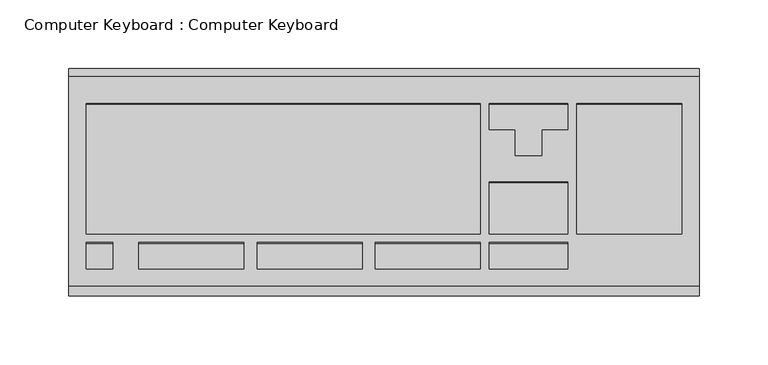
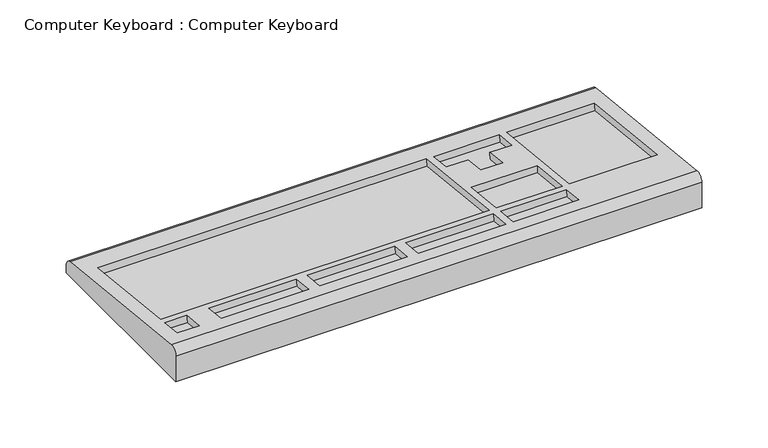
"""IFC4 building model written with IfcOpenShell, lengths in millimetres: proxy geometry, Computer Keyboard : Computer Keyboard."""

from ifc_helpers import new_model, si_unit, frame, origin, place, context, project, spatial, circle_curve, source, transform, mapped, element, save
from ifc_brep_helpers import plane_surface, cylinder_surface, advanced_brep


def computer_keyboard_computer_keyboard_c4d92e3b(model_context):
    return source(origin(), model_context, "Body", "AdvancedBrep", [
        advanced_brep(
        [(91.1, 204.7, 572.0), (91.1, 369.8, 572.0), (91.1, 369.8, 578.9940134), (91.1, 364.1264853, 585.3078766), (91.1, 211.7264853, 601.636448), (91.1, 204.7, 595.3225849), (-366.1, 204.7, 572.0), (-366.1, 204.7, 595.3225849), (-366.1, 211.7264853, 601.636448), (-366.1, 364.1264853, 585.3078766), (-366.1, 369.8, 578.9940134), (-366.1, 369.8, 572.0), (-67.65, 344.5445475, 587.4059413), (-67.65, 249.8366006, 597.5532214), (-353.4, 249.8366006, 597.5532214), (-353.4, 344.5445475, 587.4059413), (-334.35, 243.5227375, 598.2297067), (-334.35, 224.5811481, 600.2591627), (-353.4, 224.5811481, 600.2591627), (-353.4, 243.5227375, 598.2297067), (-239.1, 243.5227375, 598.2297067), (-239.1, 224.5811481, 600.2591627), (-315.3, 224.5811481, 600.2591627), (-315.3, 243.5227375, 598.2297067), (-153.375, 243.5227375, 598.2297067), (-153.375, 224.5811481, 600.2591627), (-229.575, 224.5811481, 600.2591627), (-229.575, 243.5227375, 598.2297067), (-67.65, 243.5227375, 598.2297067), (-67.65, 224.5811481, 600.2591627), (-143.85, 224.5811481, 600.2591627), (-143.85, 243.5227375, 598.2297067), (-4.15, 243.5227375, 598.2297067), (-4.15, 224.5811481, 600.2591627), (-61.3, 224.5811481, 600.2591627), (-61.3, 243.5227375, 598.2297067), (-4.15, 287.7197793, 593.4943094), (-4.15, 249.8366006, 597.5532214), (-61.3, 249.8366006, 597.5532214), (-61.3, 287.7197793, 593.4943094), (-4.15, 344.5445475, 587.4059413), (-4.15, 325.6029581, 589.4353973), (-23.2, 325.6029581, 589.4353973), (-23.2, 306.6613687, 591.4648534), (-42.25, 306.6613687, 591.4648534), (-42.25, 325.6029581, 589.4353973), (-61.3, 325.6029581, 589.4353973), (-61.3, 344.5445475, 587.4059413), (78.4, 344.5445475, 587.4059413), (78.4, 249.8366006, 597.5532214), (2.2, 249.8366006, 597.5532214), (2.2, 344.5445475, 587.4059413), (-67.65, 343.8680622, 581.0920782), (-353.4, 343.8680622, 581.0920782), (-353.4, 249.1601152, 591.2393582), (-67.65, 249.1601152, 591.2393582), (-334.35, 242.8462521, 591.9158436), (-353.4, 242.8462521, 591.9158436), (-353.4, 223.9046627, 593.9452996), (-334.35, 223.9046627, 593.9452996), (-239.1, 242.8462521, 591.9158436), (-315.3, 242.8462521, 591.9158436), (-315.3, 223.9046627, 593.9452996), (-239.1, 223.9046627, 593.9452996), (-153.375, 242.8462521, 591.9158436), (-229.575, 242.8462521, 591.9158436), (-229.575, 223.9046627, 593.9452996), (-153.375, 223.9046627, 593.9452996), (-67.65, 242.8462521, 591.9158436), (-143.85, 242.8462521, 591.9158436), (-143.85, 223.9046627, 593.9452996), (-67.65, 223.9046627, 593.9452996), (-4.15, 242.8462521, 591.9158436), (-61.3, 242.8462521, 591.9158436), (-61.3, 223.9046627, 593.9452996), (-4.15, 223.9046627, 593.9452996), (-4.15, 287.043294, 587.1804462), (-61.3, 287.043294, 587.1804462), (-61.3, 249.1601152, 591.2393582), (-4.15, 249.1601152, 591.2393582), (-4.15, 343.8680622, 581.0920782), (-61.3, 343.8680622, 581.0920782), (-61.3, 324.9264728, 583.1215342), (-42.25, 324.9264728, 583.1215342), (-42.25, 305.9848834, 585.1509902), (-23.2, 305.9848834, 585.1509902), (-23.2, 324.9264728, 583.1215342), (-4.15, 324.9264728, 583.1215342), (78.4, 343.8680622, 581.0920782), (2.2, 343.8680622, 581.0920782), (2.2, 249.1601152, 591.2393582), (78.4, 249.1601152, 591.2393582)],
        [
            (0, 1),
            (1, 2),
            (2, 3, circle_curve(frame((91.1, 363.45, 578.9940134), z_axis=(1.0, 0.0, 0.0), x_axis=(0.0, 1.0, 0.0)), 6.35)),
            (3, 4),
            (4, 5, circle_curve(frame((91.1, 211.05, 595.3225849), z_axis=(1.0, 0.0, 0.0), x_axis=(0.0, 1.0, 0.0)), 6.35)),
            (5, 0),
            (6, 7),
            (7, 8, circle_curve(frame((-366.1, 211.05, 595.3225849), z_axis=(-1.0, 0.0, 0.0), x_axis=(0.0, 1.0, 0.0)), 6.35)),
            (8, 9),
            (9, 10, circle_curve(frame((-366.1, 363.45, 578.9940134), z_axis=(-1.0, 0.0, 0.0), x_axis=(0.0, 1.0, 0.0)), 6.35)),
            (10, 11),
            (11, 6),
            (5, 7),
            (6, 0),
            (4, 8),
            (3, 9),
            (12, 13),
            (13, 14),
            (14, 15),
            (15, 12),
            (16, 17),
            (17, 18),
            (18, 19),
            (19, 16),
            (20, 21),
            (21, 22),
            (22, 23),
            (23, 20),
            (24, 25),
            (25, 26),
            (26, 27),
            (27, 24),
            (28, 29),
            (29, 30),
            (30, 31),
            (31, 28),
            (32, 33),
            (33, 34),
            (34, 35),
            (35, 32),
            (36, 37),
            (37, 38),
            (38, 39),
            (39, 36),
            (40, 41),
            (41, 42),
            (42, 43),
            (43, 44),
            (44, 45),
            (45, 46),
            (46, 47),
            (47, 40),
            (48, 49),
            (49, 50),
            (50, 51),
            (51, 48),
            (2, 10),
            (1, 11),
            (52, 53),
            (53, 54),
            (54, 55),
            (55, 52),
            (52, 12),
            (15, 53),
            (14, 54),
            (13, 55),
            (56, 57),
            (57, 58),
            (58, 59),
            (59, 56),
            (56, 16),
            (19, 57),
            (18, 58),
            (17, 59),
            (60, 61),
            (61, 62),
            (62, 63),
            (63, 60),
            (60, 20),
            (23, 61),
            (22, 62),
            (21, 63),
            (64, 65),
            (65, 66),
            (66, 67),
            (67, 64),
            (64, 24),
            (27, 65),
            (26, 66),
            (25, 67),
            (68, 69),
            (69, 70),
            (70, 71),
            (71, 68),
            (68, 28),
            (31, 69),
            (30, 70),
            (29, 71),
            (72, 73),
            (73, 74),
            (74, 75),
            (75, 72),
            (72, 32),
            (35, 73),
            (34, 74),
            (33, 75),
            (76, 77),
            (77, 78),
            (78, 79),
            (79, 76),
            (76, 36),
            (39, 77),
            (38, 78),
            (37, 79),
            (80, 81),
            (81, 82),
            (82, 83),
            (83, 84),
            (84, 85),
            (85, 86),
            (86, 87),
            (87, 80),
            (80, 40),
            (47, 81),
            (46, 82),
            (45, 83),
            (44, 84),
            (43, 85),
            (42, 86),
            (41, 87),
            (88, 89),
            (89, 90),
            (90, 91),
            (91, 88),
            (88, 48),
            (51, 89),
            (50, 90),
            (49, 91),
        ],
        [
            plane_surface(frame((91.1, 204.7, 572.0), z_axis=(1.0, 0.0, 0.0), x_axis=(0.0, 0.0, 1.0))),
            plane_surface(frame((-366.1, 204.7, 572.0), z_axis=(-1.0, 0.0, 0.0), x_axis=(0.0, 0.0, -1.0))),
            plane_surface(frame((91.1, 204.7, 572.0), z_axis=(0.0, -1.0, 0.0), x_axis=(-1.0, 0.0, 0.0))),
            cylinder_surface(frame((-366.1, 211.05, 595.3225849), z_axis=(1.0, 0.0, 0.0), x_axis=(0.0, 1.0, 0.0)), 6.35),
            plane_surface(frame((91.1, 211.7264853, 601.636448), z_axis=(0.0, 0.10653312363427196, 0.9943091539198083), x_axis=(-1.0, 0.0, 0.0))),
            cylinder_surface(frame((-366.1, 363.45, 578.9940134), z_axis=(1.0, 0.0, 0.0), x_axis=(0.0, 1.0, 0.0)), 6.35),
            plane_surface(frame((91.1, 369.8, 578.9940134), z_axis=(0.0, 1.0, 0.0), x_axis=(-1.0, 0.0, 0.0))),
            plane_surface(frame((91.1, 369.8, 572.0), z_axis=(0.0, 0.0, -1.0), x_axis=(-1.0, 0.0, 0.0))),
            plane_surface(frame((-315.3, 343.8680622, 581.0920782), z_axis=(0.0, 0.10653312363427676, 0.9943091539198078), x_axis=(-1.0, 0.0, 0.0))),
            plane_surface(frame((-67.65, 343.8680622, 581.0920782), z_axis=(0.0, -0.9943091539198078, 0.1065331236342767), x_axis=(0.0, 0.1065331236342767, 0.9943091539198078))),
            plane_surface(frame((-353.4, 343.8680622, 581.0920782), z_axis=(1.0000000000000002, 0.0, 0.0), x_axis=(0.0, 0.1065331236342767, 0.9943091539198078))),
            plane_surface(frame((-353.4, 249.1601152, 591.2393582), z_axis=(0.0, 0.9943091539198078, -0.10653312363427635), x_axis=(0.0, 0.10653312363427635, 0.9943091539198078))),
            plane_surface(frame((-67.65, 249.1601152, 591.2393582), z_axis=(-1.0, 0.0, 0.0), x_axis=(0.0, 0.10653312363427639, 0.9943091539198078))),
            plane_surface(frame((-315.3, 242.8462521, 591.9158436), z_axis=(0.0, 0.10653312363427676, 0.9943091539198078), x_axis=(-1.0, 0.0, 0.0))),
            plane_surface(frame((-334.35, 242.8462521, 591.9158436), z_axis=(0.0, -0.9943091539198078, 0.10653312363427635), x_axis=(0.0, 0.10653312363427635, 0.9943091539198078))),
            plane_surface(frame((-353.4, 242.8462521, 591.9158436), z_axis=(1.0, 0.0, 0.0), x_axis=(0.0, 0.10653312363427635, 0.9943091539198078))),
            plane_surface(frame((-353.4, 223.9046627, 593.9452996), z_axis=(0.0, 0.9943091539198078, -0.10653312363427635), x_axis=(0.0, 0.10653312363427635, 0.9943091539198078))),
            plane_surface(frame((-334.35, 223.9046627, 593.9452996), z_axis=(-1.0, 0.0, 0.0), x_axis=(0.0, 0.10653312363427635, 0.9943091539198078))),
            plane_surface(frame((-277.2, 242.8462521, 591.9158436), z_axis=(0.0, 0.10653312363427676, 0.9943091539198078), x_axis=(-1.0, 0.0, 0.0))),
            plane_surface(frame((-239.1, 242.8462521, 591.9158436), z_axis=(0.0, -0.9943091539198078, 0.10653312363427635), x_axis=(0.0, 0.10653312363427635, 0.9943091539198078))),
            plane_surface(frame((-315.3, 242.8462521, 591.9158436), z_axis=(1.0, 0.0, 0.0), x_axis=(0.0, 0.10653312363427635, 0.9943091539198078))),
            plane_surface(frame((-315.3, 223.9046627, 593.9452996), z_axis=(0.0, 0.9943091539198078, -0.10653312363427635), x_axis=(0.0, 0.10653312363427635, 0.9943091539198078))),
            plane_surface(frame((-239.1, 223.9046627, 593.9452996), z_axis=(-1.0, 0.0, 0.0), x_axis=(0.0, 0.10653312363427635, 0.9943091539198078))),
            plane_surface(frame((-191.475, 242.8462521, 591.9158436), z_axis=(0.0, 0.10653312363427676, 0.9943091539198078), x_axis=(-1.0, 0.0, 0.0))),
            plane_surface(frame((-153.375, 242.8462521, 591.9158436), z_axis=(0.0, -0.9943091539198078, 0.10653312363427639), x_axis=(0.0, 0.10653312363427639, 0.9943091539198078))),
            plane_surface(frame((-229.575, 242.8462521, 591.9158436), z_axis=(1.0, 0.0, 0.0), x_axis=(0.0, 0.10653312363427639, 0.9943091539198078))),
            plane_surface(frame((-229.575, 223.9046627, 593.9452996), z_axis=(0.0, 0.9943091539198078, -0.10653312363427639), x_axis=(0.0, 0.10653312363427639, 0.9943091539198078))),
            plane_surface(frame((-153.375, 223.9046627, 593.9452996), z_axis=(-1.0, 0.0, 0.0), x_axis=(0.0, 0.10653312363427639, 0.9943091539198078))),
            plane_surface(frame((-105.75, 242.8462521, 591.9158436), z_axis=(0.0, 0.10653312363427676, 0.9943091539198078), x_axis=(-1.0, 0.0, 0.0))),
            plane_surface(frame((-67.65, 242.8462521, 591.9158436), z_axis=(0.0, -0.9943091539198078, 0.10653312363427635), x_axis=(0.0, 0.10653312363427635, 0.9943091539198078))),
            plane_surface(frame((-143.85, 242.8462521, 591.9158436), z_axis=(1.0, 0.0, 0.0), x_axis=(0.0, 0.10653312363427635, 0.9943091539198078))),
            plane_surface(frame((-143.85, 223.9046627, 593.9452996), z_axis=(0.0, 0.9943091539198078, -0.10653312363427635), x_axis=(0.0, 0.10653312363427635, 0.9943091539198078))),
            plane_surface(frame((-67.65, 223.9046627, 593.9452996), z_axis=(-1.0, 0.0, 0.0), x_axis=(0.0, 0.10653312363427635, 0.9943091539198078))),
            plane_surface(frame((-23.2, 242.8462521, 591.9158436), z_axis=(0.0, 0.10653312363427676, 0.9943091539198078), x_axis=(-1.0, 0.0, 0.0))),
            plane_surface(frame((-4.15, 242.8462521, 591.9158436), z_axis=(0.0, -0.9943091539198078, 0.10653312363427635), x_axis=(0.0, 0.10653312363427635, 0.9943091539198078))),
            plane_surface(frame((-61.3, 242.8462521, 591.9158436), z_axis=(1.0, 0.0, 0.0), x_axis=(0.0, 0.10653312363427635, 0.9943091539198078))),
            plane_surface(frame((-61.3, 223.9046627, 593.9452996), z_axis=(0.0, 0.9943091539198078, -0.10653312363427635), x_axis=(0.0, 0.10653312363427635, 0.9943091539198078))),
            plane_surface(frame((-4.15, 223.9046627, 593.9452996), z_axis=(-1.0, 0.0, 0.0), x_axis=(0.0, 0.10653312363427635, 0.9943091539198078))),
            plane_surface(frame((-23.2, 287.043294, 587.1804462), z_axis=(0.0, 0.10653312363427676, 0.9943091539198078), x_axis=(-1.0, 0.0, 0.0))),
            plane_surface(frame((-4.15, 287.043294, 587.1804462), z_axis=(0.0, -0.9943091539198078, 0.10653312363427636), x_axis=(0.0, 0.10653312363427636, 0.9943091539198078))),
            plane_surface(frame((-61.3, 287.043294, 587.1804462), z_axis=(1.0, 0.0, 0.0), x_axis=(0.0, 0.10653312363427636, 0.9943091539198078))),
            plane_surface(frame((-61.3, 249.1601152, 591.2393582), z_axis=(0.0, 0.9943091539198078, -0.10653312363427635), x_axis=(0.0, 0.10653312363427635, 0.9943091539198078))),
            plane_surface(frame((-4.15, 249.1601152, 591.2393582), z_axis=(-1.0, 0.0, 0.0), x_axis=(0.0, 0.10653312363427635, 0.9943091539198078))),
            plane_surface(frame((-23.2, 343.8680622, 581.0920782), z_axis=(0.0, 0.10653312363427676, 0.9943091539198078), x_axis=(-1.0, 0.0, 0.0))),
            plane_surface(frame((-4.15, 343.8680622, 581.0920782), z_axis=(0.0, -0.9943091539198078, 0.1065331236342767), x_axis=(0.0, 0.1065331236342767, 0.9943091539198078))),
            plane_surface(frame((-61.3, 343.8680622, 581.0920782), z_axis=(1.0000000000000002, 0.0, 0.0), x_axis=(0.0, 0.1065331236342767, 0.9943091539198078))),
            plane_surface(frame((-61.3, 324.9264728, 583.1215342), z_axis=(0.0, 0.9943091539198077, -0.106533123634277), x_axis=(0.0, 0.106533123634277, 0.9943091539198077))),
            plane_surface(frame((-42.25, 324.9264728, 583.1215342), z_axis=(1.0, 0.0, 0.0), x_axis=(0.0, 0.106533123634277, 0.9943091539198077))),
            plane_surface(frame((-42.25, 305.9848834, 585.1509902), z_axis=(0.0, 0.9943091539198078, -0.10653312363427635), x_axis=(0.0, 0.10653312363427635, 0.9943091539198078))),
            plane_surface(frame((-23.2, 305.9848834, 585.1509902), z_axis=(-1.0, 0.0, 0.0), x_axis=(0.0, 0.10653312363427635, 0.9943091539198078))),
            plane_surface(frame((-23.2, 324.9264728, 583.1215342), z_axis=(0.0, 0.9943091539198077, -0.106533123634277), x_axis=(0.0, 0.106533123634277, 0.9943091539198077))),
            plane_surface(frame((-4.15, 324.9264728, 583.1215342), z_axis=(-1.0, 0.0, 0.0), x_axis=(0.0, 0.106533123634277, 0.9943091539198077))),
            plane_surface(frame((40.3, 343.8680622, 581.0920782), z_axis=(0.0, 0.10653312363427676, 0.9943091539198078), x_axis=(-1.0, 0.0, 0.0))),
            plane_surface(frame((78.4, 343.8680622, 581.0920782), z_axis=(0.0, -0.9943091539198078, 0.1065331236342767), x_axis=(0.0, 0.1065331236342767, 0.9943091539198078))),
            plane_surface(frame((2.2, 343.8680622, 581.0920782), z_axis=(1.0, 0.0, 0.0), x_axis=(0.0, 0.10653312363427701, 0.9943091539198077))),
            plane_surface(frame((2.2, 249.1601152, 591.2393582), z_axis=(0.0, 0.9943091539198078, -0.10653312363427635), x_axis=(0.0, 0.10653312363427635, 0.9943091539198078))),
            plane_surface(frame((78.4, 249.1601152, 591.2393582), z_axis=(-1.0, 0.0, 0.0), x_axis=(0.0, 0.10653312363427635, 0.9943091539198078))),
        ],
        [
            (0, [[1, 2, 3, 4, 5, 6]]),
            (1, [[7, 8, 9, 10, 11, 12]]),
            (2, [[13, -7, 14, -6]]),
            (3, [[15, -8, -13, -5]]),
            (4, [[16, -9, -15, -4], [17, 18, 19, 20], [21, 22, 23, 24], [25, 26, 27, 28], [29, 30, 31, 32], [33, 34, 35, 36], [37, 38, 39, 40], [41, 42, 43, 44], [45, 46, 47, 48, 49, 50, 51, 52], [53, 54, 55, 56]]),
            (5, [[57, -10, -16, -3]]),
            (6, [[58, -11, -57, -2]]),
            (7, [[-14, -12, -58, -1]]),
            (8, [[59, 60, 61, 62]]),
            (9, [[63, -20, 64, -59]]),
            (10, [[-64, -19, 65, -60]]),
            (11, [[-65, -18, 66, -61]]),
            (12, [[-66, -17, -63, -62]]),
            (13, [[67, 68, 69, 70]]),
            (14, [[71, -24, 72, -67]]),
            (15, [[-72, -23, 73, -68]]),
            (16, [[-73, -22, 74, -69]]),
            (17, [[-74, -21, -71, -70]]),
            (18, [[75, 76, 77, 78]]),
            (19, [[79, -28, 80, -75]]),
            (20, [[-80, -27, 81, -76]]),
            (21, [[-81, -26, 82, -77]]),
            (22, [[-82, -25, -79, -78]]),
            (23, [[83, 84, 85, 86]]),
            (24, [[87, -32, 88, -83]]),
            (25, [[-88, -31, 89, -84]]),
            (26, [[-89, -30, 90, -85]]),
            (27, [[-90, -29, -87, -86]]),
            (28, [[91, 92, 93, 94]]),
            (29, [[95, -36, 96, -91]]),
            (30, [[-96, -35, 97, -92]]),
            (31, [[-97, -34, 98, -93]]),
            (32, [[-98, -33, -95, -94]]),
            (33, [[99, 100, 101, 102]]),
            (34, [[103, -40, 104, -99]]),
            (35, [[-104, -39, 105, -100]]),
            (36, [[-105, -38, 106, -101]]),
            (37, [[-106, -37, -103, -102]]),
            (38, [[107, 108, 109, 110]]),
            (39, [[111, -44, 112, -107]]),
            (40, [[-112, -43, 113, -108]]),
            (41, [[-113, -42, 114, -109]]),
            (42, [[-114, -41, -111, -110]]),
            (43, [[115, 116, 117, 118, 119, 120, 121, 122]]),
            (44, [[123, -52, 124, -115]]),
            (45, [[-124, -51, 125, -116]]),
            (46, [[-125, -50, 126, -117]]),
            (47, [[-126, -49, 127, -118]]),
            (48, [[-127, -48, 128, -119]]),
            (49, [[-128, -47, 129, -120]]),
            (50, [[-129, -46, 130, -121]]),
            (51, [[-130, -45, -123, -122]]),
            (52, [[131, 132, 133, 134]]),
            (53, [[135, -56, 136, -131]]),
            (54, [[-136, -55, 137, -132]]),
            (55, [[-137, -54, 138, -133]]),
            (56, [[-138, -53, -135, -134]]),
        ],
    ),
    ])


if __name__ == "__main__":
    model = new_model("IFC4")
    model_context = context("Model", 3, world=origin())
    ifc_project = project(units=[si_unit("LENGTHUNIT", "METRE", prefix="MILLI")], contexts=[model_context])
    site = spatial("IfcSite", under=ifc_project)
    building = spatial("IfcBuilding", under=site)
    placement = place(None, origin())
    computer_keyboard_computer_keyboard_shape = computer_keyboard_computer_keyboard_c4d92e3b(model_context)
    element("IfcBuildingElementProxy", 1, Name="Computer Keyboard : Computer Keyboard", ObjectType="Computer Keyboard : Computer Keyboard", at=placement, inside=building, context=model_context, shape_type="MappedRepresentation", body=[
        mapped(computer_keyboard_computer_keyboard_shape, transform((0.0, 0.0, 0.0), x_axis=(1.0, 0.0, 0.0), y_axis=(0.0, 1.0, 0.0), z_axis=(0.0, 0.0, 1.0))),
    ])
    save(model, "model.ifc")
